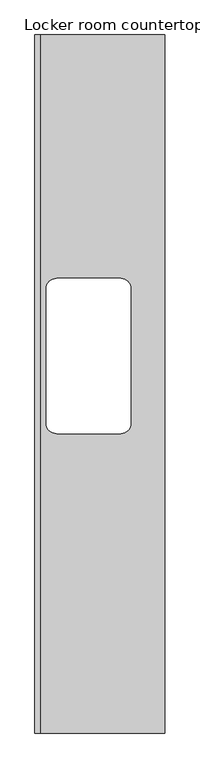
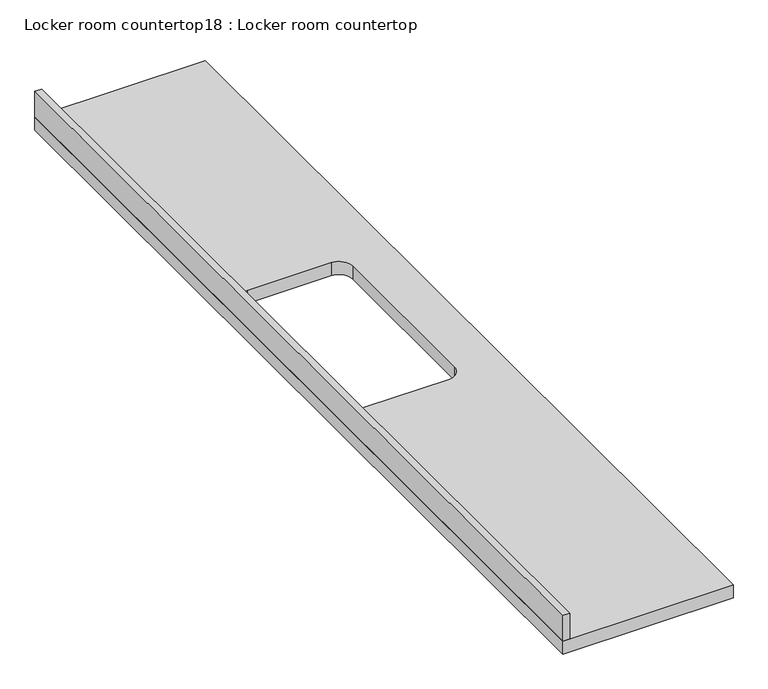
"""IFC4 building model written with IfcOpenShell, lengths in millimetres: furniture geometry, Locker room countertop18 : Locker room countertop."""

from ifc_helpers import new_model, si_unit, point, frame, frame_2d, origin, place, context, project, spatial, polyline, circle_curve, trimmed, segment, composite_curve, outline, extrude, source, transform, mapped, element, save


def locker_room_countertop18_locker_room_countertop_12a0e917(model_context):
    return source(origin(), model_context, "Body", "SweptSolid", [
        extrude(outline(polyline([(205974.9861623, -241879.3619874), (205974.9861623, -245277.3286931), (205342.3659445, -245277.3286931), (205342.3659445, -241879.3619874), (205974.9861623, -241879.3619874)]), holes=[composite_curve([segment(polyline([(205397.1361623, -243115.1536931), (205397.1361623, -243769.2036931)]), True, "CONTINUOUS"), segment(trimmed(circle_curve(frame_2d((205447.9361623, -243769.2036931)), 50.8), [point((205397.1361623, -243769.2036931))], [point((205447.9361623, -243820.0036931))], True, "CARTESIAN"), True, "CONTINUOUS"), segment(polyline([(205447.9361623, -243820.0036931), (205759.0861623, -243820.0036931)]), True, "CONTINUOUS"), segment(trimmed(circle_curve(frame_2d((205759.0861623, -243769.2036931)), 50.8), [point((205759.0861623, -243820.0036931))], [point((205809.8861623, -243769.2036931))], True, "CARTESIAN"), True, "CONTINUOUS"), segment(polyline([(205809.8861623, -243769.2036931), (205809.8861623, -243115.1536931)]), True, "CONTINUOUS"), segment(trimmed(circle_curve(frame_2d((205759.0861623, -243115.1536931)), 50.8), [point((205809.8861623, -243115.1536931))], [point((205759.0861623, -243064.3536931))], True, "CARTESIAN"), True, "CONTINUOUS"), segment(polyline([(205759.0861623, -243064.3536931), (205447.9361623, -243064.3536931)]), True, "CONTINUOUS"), segment(trimmed(circle_curve(frame_2d((205447.9361623, -243115.1536931)), 50.8), [point((205447.9361623, -243064.3536931))], [point((205397.1361623, -243115.1536931))], True, "CARTESIAN"), True, "CONTINUOUS")], self_intersect=False)]), frame((0.0, 0.0, 863.6), z_axis=(0.0, 0.0, 1.0), x_axis=(1.0, 0.0, 0.0)), (0.0, 0.0, 1.0), 50.8),
        extrude(outline(polyline([(205367.7659445, -241879.3619874), (205367.7659445, -245277.3286931), (205342.3659445, -245277.3286931), (205342.3659445, -241879.3619874), (205367.7659445, -241879.3619874)])), frame((0.0, 0.0, 914.4), z_axis=(0.0, 0.0, 1.0), x_axis=(1.0, 0.0, 0.0)), (0.0, 0.0, 1.0), 101.6),
    ])


if __name__ == "__main__":
    model = new_model("IFC4")
    model_context = context("Model", 3, world=origin())
    ifc_project = project(units=[si_unit("LENGTHUNIT", "METRE", prefix="MILLI")], contexts=[model_context])
    site = spatial("IfcSite", under=ifc_project)
    building = spatial("IfcBuilding", under=site)
    placement = place(None, origin())
    locker_room_countertop18_locker_room_countertop_shape = locker_room_countertop18_locker_room_countertop_12a0e917(model_context)
    element("IfcFurniture", 1, ObjectType="Locker room countertop18 : Locker room countertop", at=placement, inside=building, context=model_context, shape_type="MappedRepresentation", body=[
        mapped(locker_room_countertop18_locker_room_countertop_shape, transform((0.0, 0.0, 0.0), x_axis=(1.0, 0.0, 0.0), y_axis=(0.0, 1.0, 0.0), z_axis=(0.0, 0.0, 1.0))),
    ])
    save(model, "model.ifc")
